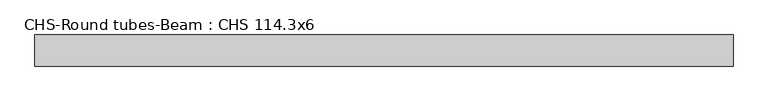
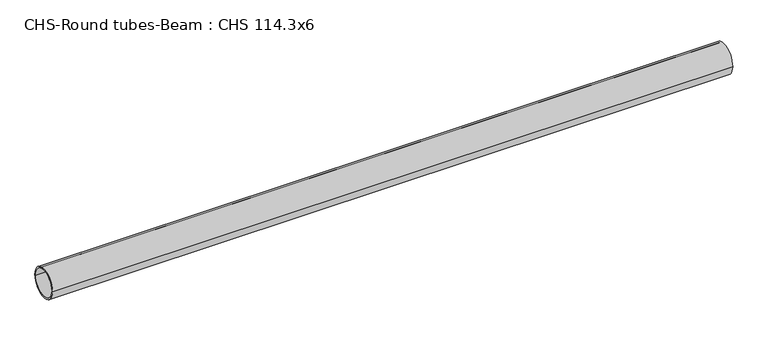
"""IFC4 building model written with IfcOpenShell, lengths in millimetres: beam geometry, CHS-Round tubes-Beam : CHS 114.3x6."""

from ifc_helpers import new_model, si_unit, point, frame, origin, origin_2d, place, context, project, spatial, circle_curve, trimmed, segment, composite_curve, outline, extrude, source, transform, mapped, element, save


def chs_round_tubes_beam_chs_114_3x6_1e392d9c(model_context):
    return source(origin(), model_context, "Body", "SweptSolid", [
        extrude(outline(composite_curve([segment(trimmed(circle_curve(origin_2d(), 57.15), [point((57.15, 0.0))], [point((-57.15, 0.0))], False, "CARTESIAN"), True, "CONTINUOUS"), segment(trimmed(circle_curve(origin_2d(), 57.15), [point((-57.15, 0.0))], [point((57.15, 0.0))], False, "CARTESIAN"), True, "CONTINUOUS")], self_intersect=False), holes=[composite_curve([segment(trimmed(circle_curve(origin_2d(), 51.15), [point((51.15, 0.0))], [point((-51.15, 0.0))], True, "CARTESIAN"), True, "CONTINUOUS"), segment(trimmed(circle_curve(origin_2d(), 51.15), [point((-51.15, 0.0))], [point((51.15, 0.0))], True, "CARTESIAN"), True, "CONTINUOUS")], self_intersect=False)]), frame((-1113.8802445, 0.0, 0.0), z_axis=(1.0, 0.0, 0.0), x_axis=(0.0, 1.0, 0.0)), (0.0, 0.0, 1.0), 2564.7806234),
    ])


if __name__ == "__main__":
    model = new_model("IFC4")
    model_context = context("Model", 3, world=origin())
    ifc_project = project(units=[si_unit("LENGTHUNIT", "METRE", prefix="MILLI")], contexts=[model_context])
    site = spatial("IfcSite", under=ifc_project)
    building = spatial("IfcBuilding", under=site)
    placement = place(None, origin())
    chs_round_tubes_beam_chs_114_3x6_shape = chs_round_tubes_beam_chs_114_3x6_1e392d9c(model_context)
    element("IfcBeam", 1, ObjectType="CHS-Round tubes-Beam : CHS 114.3x6", at=placement, inside=building, context=model_context, shape_type="MappedRepresentation", body=[
        mapped(chs_round_tubes_beam_chs_114_3x6_shape, transform((0.0, 0.0, 0.0), x_axis=(1.0, 0.0, 0.0), y_axis=(0.0, 1.0, 0.0), z_axis=(0.0, 0.0, 1.0))),
    ])
    save(model, "model.ifc")
